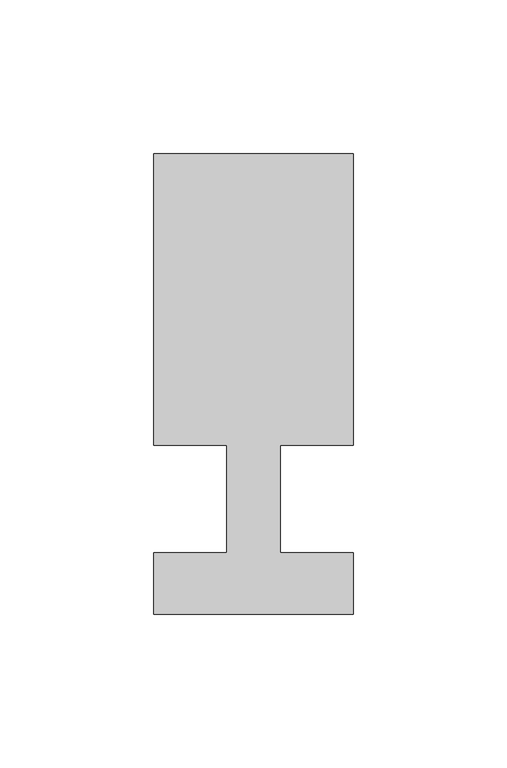
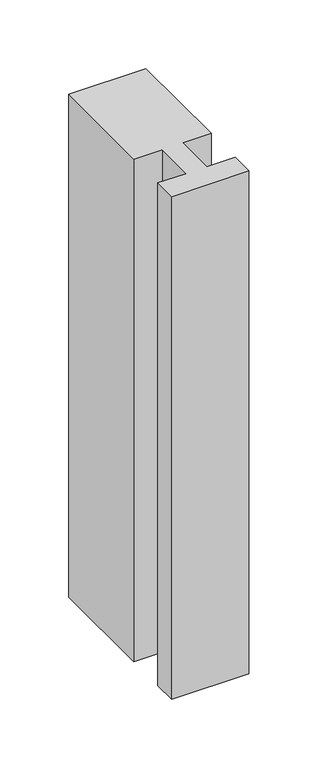
"""IFC4 building model written with IfcOpenShell, lengths in millimetres: member geometry."""

from ifc_helpers import new_model, si_unit, frame, origin, place, context, project, spatial, polyline, outline, extrude, source, transform, mapped, element, save


def member_9ffbfb79(model_context):
    return source(origin(), model_context, "Body", "SweptSolid", [
        extrude(outline(polyline([(-32.5, -37.0), (-32.5, -17.0), (-8.6875, -17.0), (-8.6875, 18.0), (-32.5, 18.0), (-32.5, 113.0), (32.5, 113.0), (32.5, 18.0), (8.6875, 18.0), (8.6875, -17.0), (32.5, -17.0), (32.5, -37.0), (-32.5, -37.0)])), frame((0.0, 0.0, -446.90625), z_axis=(0.0, 0.0, 1.0), x_axis=(1.0, 0.0, 0.0)), (0.0, 0.0, 1.0), 446.90625),
    ])


if __name__ == "__main__":
    model = new_model("IFC4")
    model_context = context("Model", 3, world=origin())
    ifc_project = project(units=[si_unit("LENGTHUNIT", "METRE", prefix="MILLI")], contexts=[model_context])
    site = spatial("IfcSite", under=ifc_project)
    building = spatial("IfcBuilding", under=site)
    placement = place(None, origin())
    member_shape = member_9ffbfb79(model_context)
    element("IfcMember", 1, at=placement, inside=building, context=model_context, shape_type="MappedRepresentation", body=[
        mapped(member_shape, transform((0.0, 0.0, 0.0), x_axis=(1.0, 0.0, 0.0), y_axis=(0.0, 1.0, 0.0), z_axis=(0.0, 0.0, 1.0))),
    ])
    save(model, "model.ifc")
